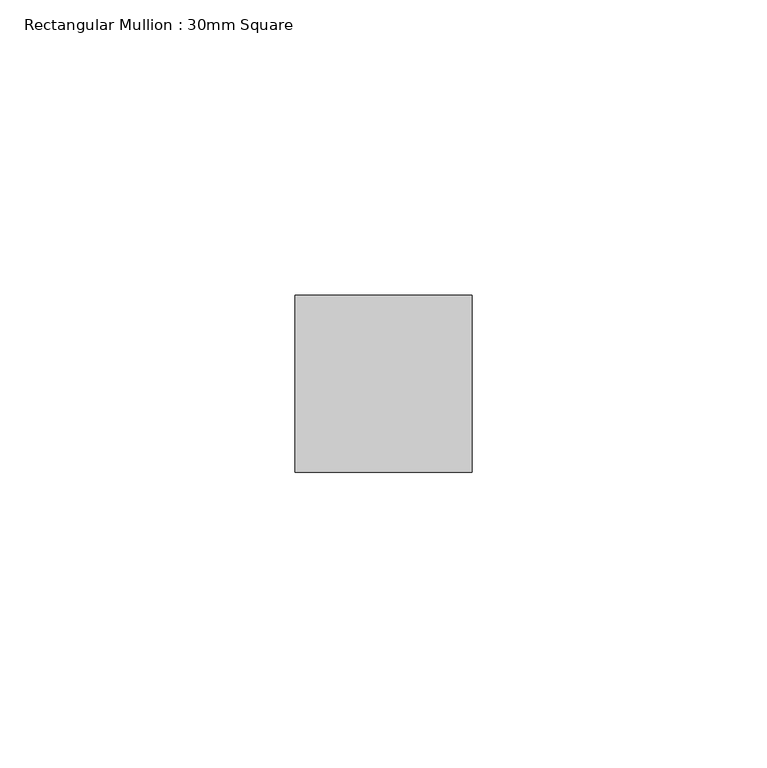
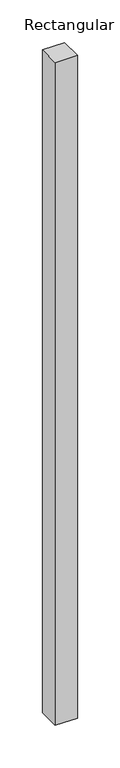
"""IFC4 building model written with IfcOpenShell, lengths in millimetres: member geometry, Rectangular Mullion : 30mm Square."""

from ifc_helpers import new_model, si_unit, frame, origin, place, context, project, spatial, polyline, outline, extrude, source, transform, mapped, element, save


def rectangular_mullion_30mm_square_2a87251e(model_context):
    return source(origin(), model_context, "Body", "SweptSolid", [
        extrude(outline(polyline([(0.0, 15.0), (0.0, -15.0), (-30.0, -15.0), (-30.0, 15.0), (0.0, 15.0)])), frame((0.0, 0.0, -949.5115613), z_axis=(0.0, 0.0, 1.0), x_axis=(1.0, 0.0, 0.0)), (0.0, 0.0, 1.0), 949.5115613),
    ])


if __name__ == "__main__":
    model = new_model("IFC4")
    model_context = context("Model", 3, world=origin())
    ifc_project = project(units=[si_unit("LENGTHUNIT", "METRE", prefix="MILLI")], contexts=[model_context])
    site = spatial("IfcSite", under=ifc_project)
    building = spatial("IfcBuilding", under=site)
    placement = place(None, origin())
    rectangular_mullion_30mm_square_shape = rectangular_mullion_30mm_square_2a87251e(model_context)
    element("IfcMember", 1, ObjectType="Rectangular Mullion : 30mm Square", at=placement, inside=building, context=model_context, shape_type="MappedRepresentation", body=[
        mapped(rectangular_mullion_30mm_square_shape, transform((0.0, 0.0, 0.0), x_axis=(1.0, 0.0, 0.0), y_axis=(0.0, 1.0, 0.0), z_axis=(0.0, 0.0, 1.0))),
    ])
    save(model, "model.ifc")
